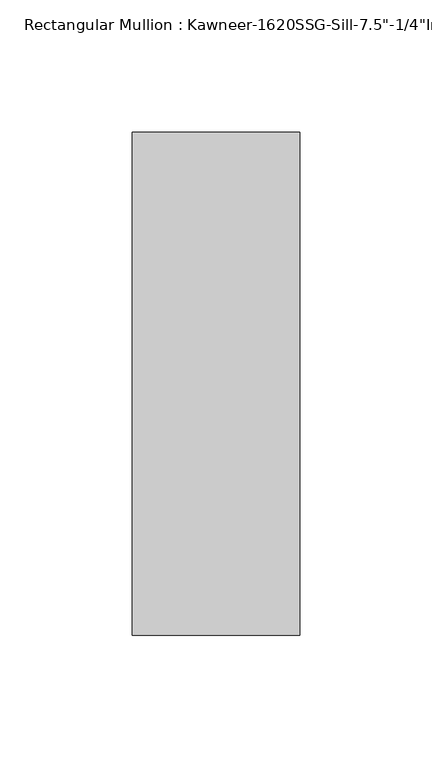
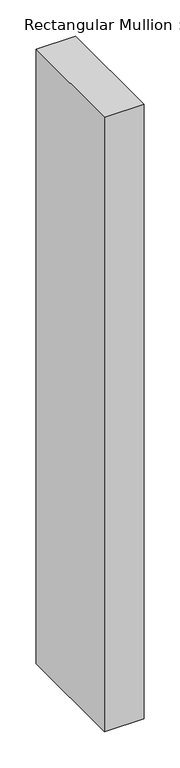
"""IFC4 building model written with IfcOpenShell, lengths in millimetres: member geometry."""

from ifc_helpers import new_model, si_unit, frame, origin, place, context, project, spatial, polyline, outline, extrude, source, transform, mapped, element, save


def member_163b4fb2(model_context):
    return source(origin(), model_context, "Body", "SweptSolid", [
        extrude(outline(polyline([(-63.5, 28.575), (0.0, 28.575), (0.0, -161.925), (-63.5, -161.925), (-63.5, 28.575)])), frame((0.0, 0.0, -1040.8758793), z_axis=(0.0, 0.0, 1.0), x_axis=(1.0, 0.0, 0.0)), (0.0, 0.0, 1.0), 1040.8758793),
    ])


if __name__ == "__main__":
    model = new_model("IFC4")
    model_context = context("Model", 3, world=origin())
    ifc_project = project(units=[si_unit("LENGTHUNIT", "METRE", prefix="MILLI")], contexts=[model_context])
    site = spatial("IfcSite", under=ifc_project)
    building = spatial("IfcBuilding", under=site)
    placement = place(None, origin())
    member_shape = member_163b4fb2(model_context)
    element("IfcMember", 1, ObjectType="Rectangular Mullion : Kawneer-1620SSG-Sill-7.5\"-1/4\"Infill", at=placement, inside=building, context=model_context, shape_type="MappedRepresentation", body=[
        mapped(member_shape, transform((0.0, 0.0, 0.0), x_axis=(1.0, 0.0, 0.0), y_axis=(0.0, 1.0, 0.0), z_axis=(0.0, 0.0, 1.0))),
    ])
    save(model, "model.ifc")
